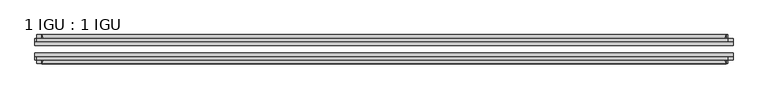
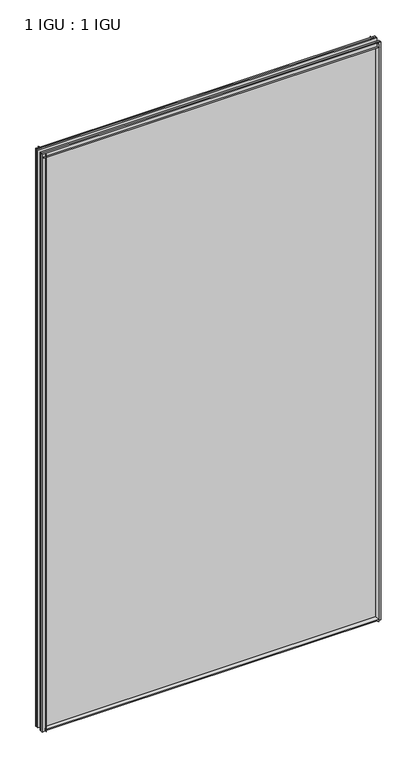
"""IFC4 building model written with IfcOpenShell, lengths in millimetres: plate geometry, 1 IGU : 1 IGU."""

from ifc_helpers import new_model, si_unit, point, frame, frame_2d, origin, place, context, project, spatial, polyline, circle_curve, trimmed, segment, composite_curve, outline, extrude, source, transform, mapped, element, save


def plate_1_igu_1_igu_6ef91967(model_context):
    return source(origin(), model_context, "Body", "SweptSolid", [
        extrude(outline(composite_curve([segment(polyline([(-74.6252, -8.73125), (-74.6252, -0.0097454), (-80.6504332, -0.0097454)]), True, "CONTINUOUS"), segment(trimmed(circle_curve(frame_2d((-86.2258203, 32.2797688)), 32.7673262), [point((-80.6504332, -0.0097454))], [point((-69.85, 3.8979053))], True, "CARTESIAN"), True, "CONTINUOUS"), segment(polyline([(-69.85, 3.8979053), (-69.85, -8.73125), (-74.6252, -8.73125)]), True, "CONTINUOUS")], self_intersect=False)), frame((-552.45, 0.0, 0.0), z_axis=(1.0, 0.0, 0.0), x_axis=(0.0, 1.0, 0.0)), (0.0, 0.0, 1.0), 1104.9),
        extrude(outline(composite_curve([segment(polyline([(-39.6748, -8.73125), (-44.45, -8.73125), (-44.45, 3.8979053)]), True, "CONTINUOUS"), segment(trimmed(circle_curve(frame_2d((-28.0741797, 32.2797688)), 32.7673262), [point((-44.45, 3.8979053))], [point((-33.6495668, -0.0097454))], True, "CARTESIAN"), True, "CONTINUOUS"), segment(polyline([(-33.6495668, -0.0097454), (-39.6748, -0.0097454), (-39.6748, -8.73125)]), True, "CONTINUOUS")], self_intersect=False)), frame((-552.45, 0.0, 0.0), z_axis=(1.0, 0.0, 0.0), x_axis=(0.0, 1.0, 0.0)), (0.0, 0.0, 1.0), 1104.9),
        extrude(outline(composite_curve([segment(polyline([(-80.5942, 2008.98125), (-74.6252, 2008.98125), (-74.6252, 2020.09375), (-69.85, 2020.09375), (-69.85, 2005.0833595)]), True, "CONTINUOUS"), segment(trimmed(circle_curve(frame_2d((-86.2258203, 1976.701496)), 32.7673262), [point((-69.85, 2005.0833595))], [point((-80.5942, 2008.98125))], True, "CARTESIAN"), True, "CONTINUOUS")], self_intersect=False)), frame((-560.9627386, 0.0, 0.0), z_axis=(1.0, 0.0, 0.0), x_axis=(0.0, 1.0, 0.0)), (0.0, 0.0, 1.0), 1115.9587001),
        extrude(outline(composite_curve([segment(polyline([(-39.6748, 2020.09375), (-39.6748, 2008.98125), (-33.7058, 2008.98125)]), True, "CONTINUOUS"), segment(trimmed(circle_curve(frame_2d((-28.0741797, 1976.701496)), 32.7673262), [point((-33.7058, 2008.98125))], [point((-44.45, 2005.0833595))], True, "CARTESIAN"), True, "CONTINUOUS"), segment(polyline([(-44.45, 2005.0833595), (-44.45, 2020.09375), (-39.6748, 2020.09375)]), True, "CONTINUOUS")], self_intersect=False)), frame((-560.9627386, 0.0, 0.0), z_axis=(1.0, 0.0, 0.0), x_axis=(0.0, 1.0, 0.0)), (0.0, 0.0, 1.0), 1115.9587001),
        extrude(outline(composite_curve([segment(polyline([(563.5625, -39.6748), (563.5625, -44.45), (548.5521095, -44.45)]), True, "CONTINUOUS"), segment(trimmed(circle_curve(frame_2d((520.170246, -28.0741797)), 32.7673262), [point((548.5521095, -44.45))], [point((552.45, -33.7058))], True, "CARTESIAN"), True, "CONTINUOUS"), segment(polyline([(552.45, -33.7058), (552.45, -39.6748), (563.5625, -39.6748)]), True, "CONTINUOUS")], self_intersect=False)), frame((0.0, 0.0, -8.73125), z_axis=(0.0, 0.0, 1.0), x_axis=(1.0, 0.0, 0.0)), (0.0, 0.0, 1.0), 2028.825),
        extrude(outline(composite_curve([segment(polyline([(563.5625, -69.85), (563.5625, -74.6252), (552.45, -74.6252), (552.45, -80.5942)]), True, "CONTINUOUS"), segment(trimmed(circle_curve(frame_2d((520.170246, -86.2258203)), 32.7673262), [point((552.45, -80.5942))], [point((548.5521095, -69.85))], True, "CARTESIAN"), True, "CONTINUOUS"), segment(polyline([(548.5521095, -69.85), (563.5625, -69.85)]), True, "CONTINUOUS")], self_intersect=False)), frame((0.0, 0.0, -8.73125), z_axis=(0.0, 0.0, 1.0), x_axis=(1.0, 0.0, 0.0)), (0.0, 0.0, 1.0), 2028.825),
        extrude(outline(composite_curve([segment(polyline([(-563.5625, -39.6748), (-552.45, -39.6748), (-552.45, -33.7058)]), True, "CONTINUOUS"), segment(trimmed(circle_curve(frame_2d((-520.170246, -28.0741797)), 32.7673262), [point((-552.45, -33.7058))], [point((-548.5521095, -44.45))], True, "CARTESIAN"), True, "CONTINUOUS"), segment(polyline([(-548.5521095, -44.45), (-563.5625, -44.45), (-563.5625, -39.6748)]), True, "CONTINUOUS")], self_intersect=False)), frame((0.0, 0.0, -8.73125), z_axis=(0.0, 0.0, 1.0), x_axis=(1.0, 0.0, 0.0)), (0.0, 0.0, 1.0), 2028.825),
        extrude(outline(composite_curve([segment(polyline([(-563.5625, -74.6252), (-563.5625, -69.85), (-548.5521095, -69.85)]), True, "CONTINUOUS"), segment(trimmed(circle_curve(frame_2d((-520.170246, -86.2258203)), 32.7673262), [point((-548.5521095, -69.85))], [point((-552.45, -80.5942))], True, "CARTESIAN"), True, "CONTINUOUS"), segment(polyline([(-552.45, -80.5942), (-552.45, -74.6252), (-563.5625, -74.6252)]), True, "CONTINUOUS")], self_intersect=False)), frame((0.0, 0.0, -8.73125), z_axis=(0.0, 0.0, 1.0), x_axis=(1.0, 0.0, 0.0)), (0.0, 0.0, 1.0), 2028.825),
        extrude(outline(polyline([(-563.5625, -69.85), (-563.5625, -63.5508), (563.5625, -63.5508), (563.5625, -69.85), (-563.5625, -69.85)])), frame((0.0, 0.0, -8.73125), z_axis=(0.0, 0.0, 1.0), x_axis=(1.0, 0.0, 0.0)), (0.0, 0.0, 1.0), 2028.825),
        extrude(outline(polyline([(563.5625, -50.7492), (-563.5625, -50.7492), (-563.5625, -44.45), (563.5625, -44.45), (563.5625, -50.7492)])), frame((0.0, 0.0, -8.73125), z_axis=(0.0, 0.0, 1.0), x_axis=(1.0, 0.0, 0.0)), (0.0, 0.0, 1.0), 2028.825),
    ])


if __name__ == "__main__":
    model = new_model("IFC4")
    model_context = context("Model", 3, world=origin())
    ifc_project = project(units=[si_unit("LENGTHUNIT", "METRE", prefix="MILLI")], contexts=[model_context])
    site = spatial("IfcSite", under=ifc_project)
    building = spatial("IfcBuilding", under=site)
    placement = place(None, origin())
    plate_1_igu_1_igu_shape = plate_1_igu_1_igu_6ef91967(model_context)
    element("IfcPlate", 1, ObjectType="1 IGU : 1 IGU", at=placement, inside=building, context=model_context, shape_type="MappedRepresentation", body=[
        mapped(plate_1_igu_1_igu_shape, transform((0.0, 0.0, 0.0), x_axis=(1.0, 0.0, 0.0), y_axis=(0.0, 1.0, 0.0), z_axis=(0.0, 0.0, 1.0))),
    ])
    save(model, "model.ifc")
